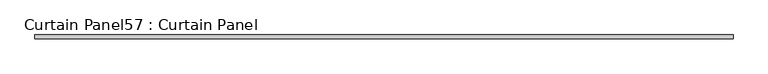
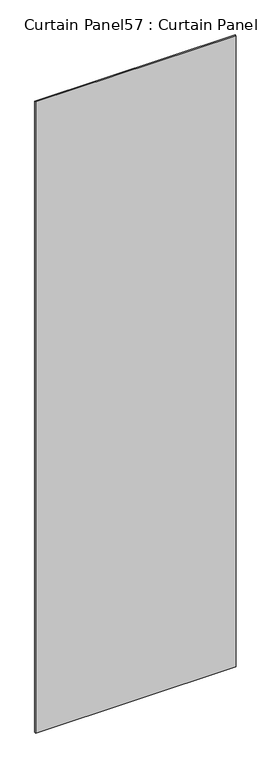
"""IFC4 building model written with IfcOpenShell, lengths in millimetres: plate geometry, Curtain Panel57 : Curtain Panel."""

from ifc_helpers import new_model, si_unit, frame, origin, place, context, project, spatial, polyline, outline, extrude, source, transform, mapped, element, save


def curtain_panel57_curtain_panel_c4ec7299(model_context):
    return source(origin(), model_context, "Body", "SweptSolid", [
        extrude(outline(polyline([(82146.697825, 8028.5834949), (77421.8228886, 8028.5834949), (77421.8228886, 8053.9834949), (82146.697825, 8053.9834949), (82146.697825, 8028.5834949)])), frame((0.0, 0.0, 1433.7679301), z_axis=(0.0, 0.0, 1.0), x_axis=(1.0, 0.0, 0.0)), (0.0, 0.0, 1.0), 15711.5380959),
    ])


if __name__ == "__main__":
    model = new_model("IFC4")
    model_context = context("Model", 3, world=origin())
    ifc_project = project(units=[si_unit("LENGTHUNIT", "METRE", prefix="MILLI")], contexts=[model_context])
    site = spatial("IfcSite", under=ifc_project)
    building = spatial("IfcBuilding", under=site)
    placement = place(None, origin())
    curtain_panel57_curtain_panel_shape = curtain_panel57_curtain_panel_c4ec7299(model_context)
    element("IfcPlate", 1, ObjectType="Curtain Panel57 : Curtain Panel", at=placement, inside=building, context=model_context, shape_type="MappedRepresentation", body=[
        mapped(curtain_panel57_curtain_panel_shape, transform((0.0, 0.0, 0.0), x_axis=(1.0, 0.0, 0.0), y_axis=(0.0, 1.0, 0.0), z_axis=(0.0, 0.0, 1.0))),
    ])
    save(model, "model.ifc")
